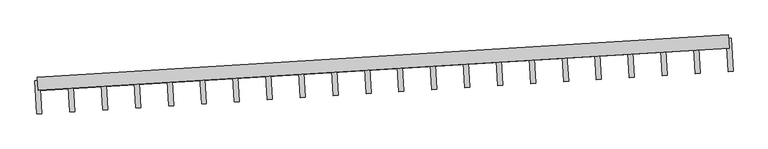
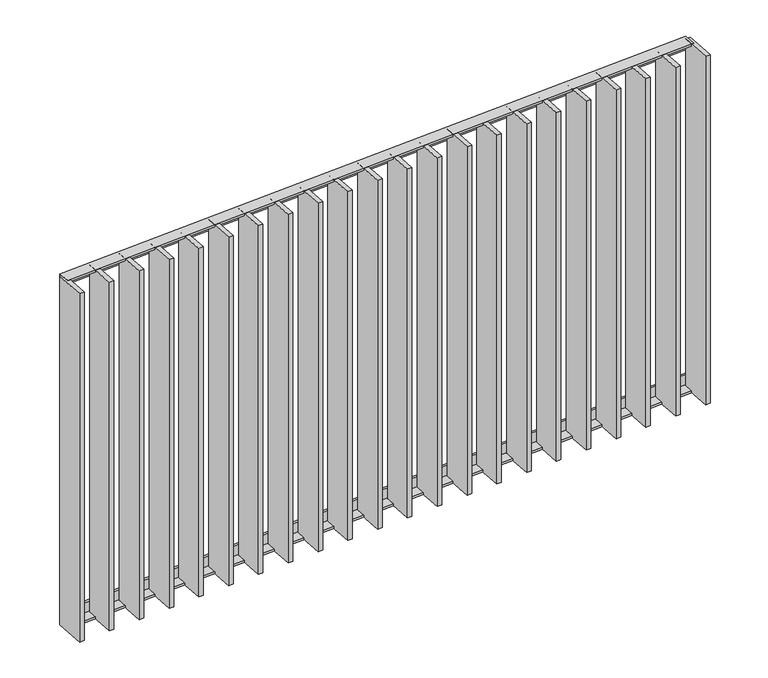
"""IFC4 building model written with IfcOpenShell, lengths in millimetres: railing geometry."""

from ifc_helpers import new_model, si_unit, frame, origin, place, context, project, spatial, polyline, outline, extrude, source, transform, mapped, element, save


def railing_fd578712(model_context):
    return source(origin(), model_context, "Body", "SweptSolid", [
        extrude(outline(polyline([(-14.0, 6.0), (19.9999999, 6.0), (19.9999999, 0.0), (-20.0, 0.0), (-20.0, 40.0), (-14.0, 40.0), (-14.0, 6.0)])), frame((28011.6049582, 19328.79976, 8000.0), z_axis=(0.9981347984218542, 0.061048539535068, 0.0), x_axis=(0.061048539535068, -0.9981347984218542, 0.0)), (0.0, 0.0, 1.0), 2080.0),
        extrude(outline(polyline([(-14.0, -6.0), (-14.0, -40.0), (-20.0, -40.0), (-20.0, 0.0), (19.9999999, 0.0), (19.9999999, -6.0), (-14.0, -6.0)])), frame((28011.6049582, 19328.79976, 6820.0), z_axis=(0.9981347984218542, 0.061048539535068, 0.0), x_axis=(0.061048539535068, -0.9981347984218542, 0.0)), (0.0, 0.0, 1.0), 2080.0),
        extrude(outline(polyline([(28117.343359, 19345.2856846), (28123.448213, 19245.4722047), (28108.476191, 19244.5564766), (28102.3713371, 19344.3699565), (28117.343359, 19345.2856846)])), frame((0.0, 0.0, 6819.9), z_axis=(0.0, 0.0, 1.0), x_axis=(1.0, 0.0, 0.0)), (0.0, 0.0, 1.0), 1180.2),
        extrude(outline(polyline([(28216.2062343, 19351.332397), (28222.3110883, 19251.5189172), (28207.3390663, 19250.6031891), (28201.2342123, 19350.4166689), (28216.2062343, 19351.332397)])), frame((0.0, 0.0, 6819.9), z_axis=(0.0, 0.0, 1.0), x_axis=(1.0, 0.0, 0.0)), (0.0, 0.0, 1.0), 1180.2),
        extrude(outline(polyline([(28315.0691096, 19357.3791095), (28321.1739635, 19257.5656297), (28306.2019416, 19256.6499016), (28300.0970876, 19356.4633814), (28315.0691096, 19357.3791095)])), frame((0.0, 0.0, 6819.9), z_axis=(0.0, 0.0, 1.0), x_axis=(1.0, 0.0, 0.0)), (0.0, 0.0, 1.0), 1180.2),
        extrude(outline(polyline([(28413.9319849, 19363.425822), (28420.0368388, 19263.6123422), (28405.0648168, 19262.6966141), (28398.9599629, 19362.5100939), (28413.9319849, 19363.425822)])), frame((0.0, 0.0, 6819.9), z_axis=(0.0, 0.0, 1.0), x_axis=(1.0, 0.0, 0.0)), (0.0, 0.0, 1.0), 1180.2),
        extrude(outline(polyline([(28512.7948601, 19369.4725345), (28518.8997141, 19269.6590547), (28503.9276921, 19268.7433266), (28497.8228382, 19368.5568064), (28512.7948601, 19369.4725345)])), frame((0.0, 0.0, 6819.9), z_axis=(0.0, 0.0, 1.0), x_axis=(1.0, 0.0, 0.0)), (0.0, 0.0, 1.0), 1180.2),
        extrude(outline(polyline([(28611.6577354, 19375.519247), (28617.7625894, 19275.7057671), (28602.7905674, 19274.7900391), (28596.6857134, 19374.6035189), (28611.6577354, 19375.519247)])), frame((0.0, 0.0, 6819.9), z_axis=(0.0, 0.0, 1.0), x_axis=(1.0, 0.0, 0.0)), (0.0, 0.0, 1.0), 1180.2),
        extrude(outline(polyline([(28710.5206107, 19381.5659595), (28716.6254646, 19281.7524796), (28701.6534427, 19280.8367515), (28695.5485887, 19380.6502314), (28710.5206107, 19381.5659595)])), frame((0.0, 0.0, 6819.9), z_axis=(0.0, 0.0, 1.0), x_axis=(1.0, 0.0, 0.0)), (0.0, 0.0, 1.0), 1180.2),
        extrude(outline(polyline([(28809.383486, 19387.612672), (28815.4883399, 19287.7991921), (28800.5163179, 19286.883464), (28794.411464, 19386.6969439), (28809.383486, 19387.612672)])), frame((0.0, 0.0, 6819.9), z_axis=(0.0, 0.0, 1.0), x_axis=(1.0, 0.0, 0.0)), (0.0, 0.0, 1.0), 1180.2),
        extrude(outline(polyline([(28908.2463612, 19393.6593845), (28914.3512152, 19293.8459046), (28899.3791932, 19292.9301765), (28893.2743393, 19392.7436564), (28908.2463612, 19393.6593845)])), frame((0.0, 0.0, 6819.9), z_axis=(0.0, 0.0, 1.0), x_axis=(1.0, 0.0, 0.0)), (0.0, 0.0, 1.0), 1180.2),
        extrude(outline(polyline([(29007.1092365, 19399.7060969), (29013.2140905, 19299.8926171), (28998.2420685, 19298.976889), (28992.1372145, 19398.7903688), (29007.1092365, 19399.7060969)])), frame((0.0, 0.0, 6819.9), z_axis=(0.0, 0.0, 1.0), x_axis=(1.0, 0.0, 0.0)), (0.0, 0.0, 1.0), 1180.2),
        extrude(outline(polyline([(29105.9721118, 19405.7528094), (29112.0769657, 19305.9393296), (29097.1049437, 19305.0236015), (29091.0000898, 19404.8370813), (29105.9721118, 19405.7528094)])), frame((0.0, 0.0, 6819.9), z_axis=(0.0, 0.0, 1.0), x_axis=(1.0, 0.0, 0.0)), (0.0, 0.0, 1.0), 1180.2),
        extrude(outline(polyline([(29204.834987, 19411.7995219), (29210.939841, 19311.9860421), (29195.967819, 19311.070314), (29189.8629651, 19410.8837938), (29204.834987, 19411.7995219)])), frame((0.0, 0.0, 6819.9), z_axis=(0.0, 0.0, 1.0), x_axis=(1.0, 0.0, 0.0)), (0.0, 0.0, 1.0), 1180.2),
        extrude(outline(polyline([(29303.6978623, 19417.8462344), (29309.8027163, 19318.0327546), (29294.8306943, 19317.1170265), (29288.7258403, 19416.9305063), (29303.6978623, 19417.8462344)])), frame((0.0, 0.0, 6819.9), z_axis=(0.0, 0.0, 1.0), x_axis=(1.0, 0.0, 0.0)), (0.0, 0.0, 1.0), 1180.2),
        extrude(outline(polyline([(29402.5607376, 19423.8929469), (29408.6655915, 19324.079467), (29393.6935696, 19323.163739), (29387.5887156, 19422.9772188), (29402.5607376, 19423.8929469)])), frame((0.0, 0.0, 6819.9), z_axis=(0.0, 0.0, 1.0), x_axis=(1.0, 0.0, 0.0)), (0.0, 0.0, 1.0), 1180.2),
        extrude(outline(polyline([(29501.4236129, 19429.9396594), (29507.5284668, 19330.1261795), (29492.5564448, 19329.2104514), (29486.4515909, 19429.0239313), (29501.4236129, 19429.9396594)])), frame((0.0, 0.0, 6819.9), z_axis=(0.0, 0.0, 1.0), x_axis=(1.0, 0.0, 0.0)), (0.0, 0.0, 1.0), 1180.2),
        extrude(outline(polyline([(29600.2864881, 19435.9863719), (29606.3913421, 19336.172892), (29591.4193201, 19335.2571639), (29585.3144662, 19435.0706438), (29600.2864881, 19435.9863719)])), frame((0.0, 0.0, 6819.9), z_axis=(0.0, 0.0, 1.0), x_axis=(1.0, 0.0, 0.0)), (0.0, 0.0, 1.0), 1180.2),
        extrude(outline(polyline([(29699.1493634, 19442.0330844), (29705.2542174, 19342.2196045), (29690.2821954, 19341.3038764), (29684.1773414, 19441.1173563), (29699.1493634, 19442.0330844)])), frame((0.0, 0.0, 6819.9), z_axis=(0.0, 0.0, 1.0), x_axis=(1.0, 0.0, 0.0)), (0.0, 0.0, 1.0), 1180.2),
        extrude(outline(polyline([(29798.0122387, 19448.0797968), (29804.1170926, 19348.266317), (29789.1450707, 19347.3505889), (29783.0402167, 19447.1640687), (29798.0122387, 19448.0797968)])), frame((0.0, 0.0, 6819.9), z_axis=(0.0, 0.0, 1.0), x_axis=(1.0, 0.0, 0.0)), (0.0, 0.0, 1.0), 1180.2),
        extrude(outline(polyline([(29896.8751139, 19454.1265093), (29902.9799679, 19354.3130295), (29888.0079459, 19353.3973014), (29881.903092, 19453.2107812), (29896.8751139, 19454.1265093)])), frame((0.0, 0.0, 6819.9), z_axis=(0.0, 0.0, 1.0), x_axis=(1.0, 0.0, 0.0)), (0.0, 0.0, 1.0), 1180.2),
        extrude(outline(polyline([(29995.7379892, 19460.1732218), (30001.8428432, 19360.359742), (29986.8708212, 19359.4440139), (29980.7659672, 19459.2574937), (29995.7379892, 19460.1732218)])), frame((0.0, 0.0, 6819.9), z_axis=(0.0, 0.0, 1.0), x_axis=(1.0, 0.0, 0.0)), (0.0, 0.0, 1.0), 1180.2),
        extrude(outline(polyline([(28018.4804838, 19339.2389721), (28024.5853377, 19239.4254922), (28009.6133158, 19238.5097641), (28003.5084618, 19338.323244), (28018.4804838, 19339.2389721)])), frame((0.0, 0.0, 6819.9), z_axis=(0.0, 0.0, 1.0), x_axis=(1.0, 0.0, 0.0)), (0.0, 0.0, 1.0), 1180.2),
        extrude(outline(polyline([(30094.6008645, 19466.2199343), (30100.7057184, 19366.4064545), (30085.7336965, 19365.4907264), (30079.6288425, 19465.3042062), (30094.6008645, 19466.2199343)])), frame((0.0, 0.0, 6819.9), z_axis=(0.0, 0.0, 1.0), x_axis=(1.0, 0.0, 0.0)), (0.0, 0.0, 1.0), 1180.2),
    ])


if __name__ == "__main__":
    model = new_model("IFC4")
    model_context = context("Model", 3, world=origin())
    ifc_project = project(units=[si_unit("LENGTHUNIT", "METRE", prefix="MILLI")], contexts=[model_context])
    site = spatial("IfcSite", under=ifc_project)
    building = spatial("IfcBuilding", under=site)
    placement = place(None, origin())
    railing_shape = railing_fd578712(model_context)
    element("IfcRailing", 1, at=placement, inside=building, context=model_context, shape_type="MappedRepresentation", body=[
        mapped(railing_shape, transform((0.0, 0.0, 0.0), x_axis=(1.0, 0.0, 0.0), y_axis=(0.0, 1.0, 0.0), z_axis=(0.0, 0.0, 1.0))),
    ])
    save(model, "model.ifc")
